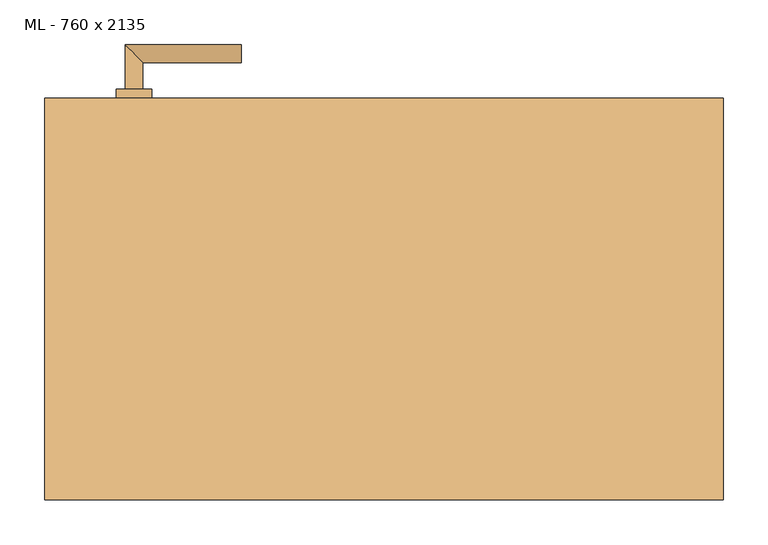
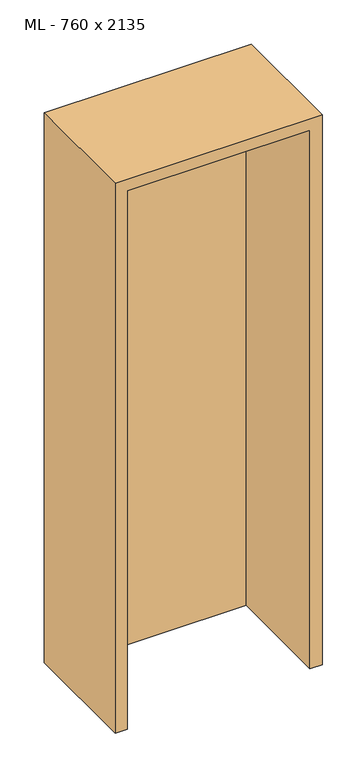
"""IFC4 building model written with IfcOpenShell, lengths in millimetres: door geometry, ML - 760 x 2135."""

from ifc_helpers import new_model, si_unit, point, frame, frame_2d, origin, origin_with_axes, place, context, project, spatial, polyline, circle_curve, ellipse_curve, trimmed, segment, composite_curve, outline, extrude, faceted_brep, source, transform, mapped, element, save
from ifc_brep_helpers import plane_surface, cylinder_surface, advanced_brep


def ml_760_x_2135_b0a2f868(model_context):
    return source(origin(), model_context, "Body", "SolidModel", [
        extrude(outline(polyline([(346.0, 225.0), (346.0, 180.0), (-346.0, 180.0), (-346.0, 225.0), (346.0, 225.0)])), origin_with_axes(), (0.0, 0.0, 1.0), 2101.0),
        advanced_brep(
        [(-270.0, 235.0, 1050.0), (-290.0, 235.0, 1050.0), (-270.0, 265.0, 1050.0), (-290.0, 285.0, 1050.0), (-160.0, 265.0, 1050.0), (-160.0, 285.0, 1050.0)],
        [
            (0, 1, circle_curve(frame((-280.0, 235.0, 1050.0), z_axis=(0.0, -1.0, 0.0), x_axis=(-1.0, 0.0, 0.0)), 10.0)),
            (1, 0, circle_curve(frame((-280.0, 235.0, 1050.0), z_axis=(0.0, -1.0, 0.0), x_axis=(-1.0, 0.0, 0.0)), 10.0)),
            (0, 2),
            (2, 3, ellipse_curve(frame((-280.0, 275.0, 1050.0), z_axis=(-0.7071067811865531, -0.7071067811865419, 0.0), x_axis=(0.707106781186542, -0.707106781186553, 0.0)), 14.1421356, 10.0)),
            (3, 1),
            (3, 2, ellipse_curve(frame((-280.0, 275.0, 1050.0), z_axis=(-0.7071067811865531, -0.7071067811865419, 0.0), x_axis=(0.707106781186542, -0.707106781186553, 0.0)), 14.1421356, 10.0)),
            (4, 5, circle_curve(frame((-160.0, 275.0, 1050.0), z_axis=(1.0, 0.0, 0.0), x_axis=(0.0, 1.0, 0.0)), 10.0)),
            (5, 4, circle_curve(frame((-160.0, 275.0, 1050.0), z_axis=(1.0, 0.0, 0.0), x_axis=(0.0, 1.0, 0.0)), 10.0)),
            (2, 4),
            (5, 3),
        ],
        [
            plane_surface(frame((-280.0, 235.0, 1050.0), z_axis=(0.0, -1.0, 0.0), x_axis=(0.0, 0.0, 1.0))),
            cylinder_surface(frame((-280.0, 235.0, 1050.0), z_axis=(0.0, -1.0, 0.0), x_axis=(-1.0, 0.0, 0.0)), 10.0),
            plane_surface(frame((-160.0, 275.0, 1050.0), z_axis=(1.0, 0.0, 0.0), x_axis=(0.0, 0.0, 1.0))),
            cylinder_surface(frame((-280.0, 275.0, 1050.0), z_axis=(-1.0, 0.0, 0.0), x_axis=(0.0, 1.0, 0.0)), 10.0),
        ],
        [
            (0, [[1, 2]]),
            (1, [[-1, 3, 4, 5]]),
            (1, [[-2, -5, 6, -3]]),
            (2, [[7, 8]]),
            (3, [[-4, 9, -8, 10]]),
            (3, [[-6, -10, -7, -9]]),
        ],
    ),
        extrude(outline(composite_curve([segment(trimmed(circle_curve(frame_2d((990.0, -280.0)), 20.0), [point((990.0, -300.0))], [point((990.0, -260.0))], False, "CARTESIAN"), True, "CONTINUOUS"), segment(trimmed(circle_curve(frame_2d((990.0, -280.0)), 20.0), [point((990.0, -260.0))], [point((990.0, -300.0))], False, "CARTESIAN"), True, "CONTINUOUS")], self_intersect=False), holes=[composite_curve([segment(polyline([(976.4601385, -282.397268), (988.4749012, -282.397268)]), True, "CONTINUOUS"), segment(trimmed(circle_curve(frame_2d((995.0361633, -280.0)), 6.9854888), [point((988.4749012, -282.397268))], [point((988.4749012, -277.602732))], True, "CARTESIAN"), True, "CONTINUOUS"), segment(polyline([(988.4749012, -277.602732), (976.4601385, -277.602732)]), True, "CONTINUOUS"), segment(trimmed(circle_curve(frame_2d((976.4601385, -280.0)), 2.397268), [point((976.4601385, -277.602732))], [point((976.4601385, -282.397268))], True, "CARTESIAN"), True, "CONTINUOUS")], self_intersect=False)]), frame((0.0, 225.0, 0.0), z_axis=(0.0, 1.0, 0.0), x_axis=(0.0, 0.0, 1.0)), (0.0, 0.0, 1.0), 10.0),
        advanced_brep(
        [(-270.0, 235.0, 1050.0), (-290.0, 235.0, 1050.0), (-270.0, 265.0, 1050.0), (-290.0, 285.0, 1050.0), (-160.0, 265.0, 1050.0), (-160.0, 285.0, 1050.0)],
        [
            (0, 1, circle_curve(frame((-280.0, 235.0, 1050.0), z_axis=(0.0, -1.0, 0.0), x_axis=(-1.0, 0.0, 0.0)), 10.0)),
            (1, 0, circle_curve(frame((-280.0, 235.0, 1050.0), z_axis=(0.0, -1.0, 0.0), x_axis=(-1.0, 0.0, 0.0)), 10.0)),
            (0, 2),
            (2, 3, ellipse_curve(frame((-280.0, 275.0, 1050.0), z_axis=(-0.7071067811865537, -0.7071067811865414, 0.0), x_axis=(0.7071067811865414, -0.7071067811865536, 0.0)), 14.1421356, 10.0)),
            (3, 1),
            (3, 2, ellipse_curve(frame((-280.0, 275.0, 1050.0), z_axis=(-0.7071067811865537, -0.7071067811865414, 0.0), x_axis=(0.7071067811865414, -0.7071067811865536, 0.0)), 14.1421356, 10.0)),
            (4, 5, circle_curve(frame((-160.0, 275.0, 1050.0), z_axis=(1.0, 0.0, 0.0), x_axis=(0.0, 1.0, 0.0)), 10.0)),
            (5, 4, circle_curve(frame((-160.0, 275.0, 1050.0), z_axis=(1.0, 0.0, 0.0), x_axis=(0.0, 1.0, 0.0)), 10.0)),
            (2, 4),
            (5, 3),
        ],
        [
            plane_surface(frame((-280.0, 235.0, 1050.0), z_axis=(0.0, -1.0, 0.0), x_axis=(0.0, 0.0, 1.0))),
            cylinder_surface(frame((-280.0, 235.0, 1050.0), z_axis=(0.0, -1.0, 0.0), x_axis=(-1.0, 0.0, 0.0)), 10.0),
            plane_surface(frame((-160.0, 275.0, 1050.0), z_axis=(1.0, 0.0, 0.0), x_axis=(0.0, 0.0, 1.0))),
            cylinder_surface(frame((-280.0, 275.0, 1050.0), z_axis=(-1.0, 0.0, 0.0), x_axis=(0.0, 1.0, 0.0)), 10.0),
        ],
        [
            (0, [[1, 2]]),
            (1, [[-1, 3, 4, 5]]),
            (1, [[-2, -5, 6, -3]]),
            (2, [[7, 8]]),
            (3, [[-4, 9, -8, 10]]),
            (3, [[-6, -10, -7, -9]]),
        ],
    ),
        extrude(outline(composite_curve([segment(trimmed(circle_curve(frame_2d((1050.0, -280.0)), 20.0), [point((1050.0, -300.0))], [point((1050.0, -260.0))], False, "CARTESIAN"), True, "CONTINUOUS"), segment(trimmed(circle_curve(frame_2d((1050.0, -280.0)), 20.0), [point((1050.0, -260.0))], [point((1050.0, -300.0))], False, "CARTESIAN"), True, "CONTINUOUS")], self_intersect=False)), frame((0.0, 225.0, 0.0), z_axis=(0.0, 1.0, 0.0), x_axis=(0.0, 0.0, 1.0)), (0.0, 0.0, 1.0), 10.0),
        advanced_brep(
        [(-270.0, 170.0, 1050.0), (-290.0, 170.0, 1050.0), (-290.0, 120.0, 1050.0), (-270.0, 140.0, 1050.0), (-160.0, 140.0, 1050.0), (-160.0, 120.0, 1050.0)],
        [
            (0, 1, circle_curve(frame((-280.0, 170.0, 1050.0), z_axis=(0.0, 1.0, 0.0), x_axis=(-1.0, 0.0, 0.0)), 10.0)),
            (1, 0, circle_curve(frame((-280.0, 170.0, 1050.0), z_axis=(0.0, 1.0, 0.0), x_axis=(-1.0, 0.0, 0.0)), 10.0)),
            (1, 2),
            (2, 3, ellipse_curve(frame((-280.0, 130.0, 1050.0), z_axis=(-0.7071067811865486, 0.7071067811865464, 0.0), x_axis=(0.7071067811865464, 0.7071067811865488, 0.0)), 14.1421356, 10.0)),
            (3, 0),
            (3, 2, ellipse_curve(frame((-280.0, 130.0, 1050.0), z_axis=(-0.7071067811865486, 0.7071067811865464, 0.0), x_axis=(0.7071067811865464, 0.7071067811865488, 0.0)), 14.1421356, 10.0)),
            (4, 5, circle_curve(frame((-160.0, 130.0, 1050.0), z_axis=(1.0, 0.0, 0.0), x_axis=(0.0, -1.0, 0.0)), 10.0)),
            (5, 4, circle_curve(frame((-160.0, 130.0, 1050.0), z_axis=(1.0, 0.0, 0.0), x_axis=(0.0, -1.0, 0.0)), 10.0)),
            (2, 5),
            (4, 3),
        ],
        [
            plane_surface(frame((-280.0, 170.0, 1050.0), z_axis=(0.0, 1.0, 0.0), x_axis=(0.0, 0.0, 1.0))),
            cylinder_surface(frame((-280.0, 170.0, 1050.0), z_axis=(0.0, 1.0, 0.0), x_axis=(-1.0, 0.0, 0.0)), 10.0),
            plane_surface(frame((-160.0, 130.0, 1050.0), z_axis=(1.0, 0.0, 0.0), x_axis=(0.0, 0.0, 1.0))),
            cylinder_surface(frame((-280.0, 130.0, 1050.0), z_axis=(-1.0, 0.0, 0.0), x_axis=(0.0, -1.0, 0.0)), 10.0),
        ],
        [
            (0, [[1, 2]]),
            (1, [[3, 4, 5, -2]]),
            (1, [[-5, 6, -3, -1]]),
            (2, [[7, 8]]),
            (3, [[9, -7, 10, -4]]),
            (3, [[-10, -8, -9, -6]]),
        ],
    ),
        extrude(outline(composite_curve([segment(trimmed(circle_curve(frame_2d((990.0, -280.0)), 20.0), [point((990.0, -300.0))], [point((990.0, -260.0))], False, "CARTESIAN"), True, "CONTINUOUS"), segment(trimmed(circle_curve(frame_2d((990.0, -280.0)), 20.0), [point((990.0, -260.0))], [point((990.0, -300.0))], False, "CARTESIAN"), True, "CONTINUOUS")], self_intersect=False), holes=[composite_curve([segment(polyline([(976.4601385, -282.397268), (988.4749012, -282.397268)]), True, "CONTINUOUS"), segment(trimmed(circle_curve(frame_2d((995.0361633, -280.0)), 6.9854888), [point((988.4749012, -282.397268))], [point((988.4749012, -277.602732))], True, "CARTESIAN"), True, "CONTINUOUS"), segment(polyline([(988.4749012, -277.602732), (976.4601385, -277.602732)]), True, "CONTINUOUS"), segment(trimmed(circle_curve(frame_2d((976.4601385, -280.0)), 2.397268), [point((976.4601385, -277.602732))], [point((976.4601385, -282.397268))], True, "CARTESIAN"), True, "CONTINUOUS")], self_intersect=False)]), frame((0.0, 170.0, 0.0), z_axis=(0.0, 1.0, 0.0), x_axis=(0.0, 0.0, 1.0)), (0.0, 0.0, 1.0), 10.0),
        advanced_brep(
        [(-270.0, 170.0, 1050.0), (-290.0, 170.0, 1050.0), (-290.0, 120.0, 1050.0), (-270.0, 140.0, 1050.0), (-160.0, 140.0, 1050.0), (-160.0, 120.0, 1050.0)],
        [
            (0, 1, circle_curve(frame((-280.0, 170.0, 1050.0), z_axis=(0.0, 1.0, 0.0), x_axis=(-1.0, 0.0, 0.0)), 10.0)),
            (1, 0, circle_curve(frame((-280.0, 170.0, 1050.0), z_axis=(0.0, 1.0, 0.0), x_axis=(-1.0, 0.0, 0.0)), 10.0)),
            (1, 2),
            (2, 3, ellipse_curve(frame((-280.0, 130.0, 1050.0), z_axis=(-0.7071067811865491, 0.7071067811865459, 0.0), x_axis=(0.7071067811865458, 0.7071067811865492, 0.0)), 14.1421356, 10.0)),
            (3, 0),
            (3, 2, ellipse_curve(frame((-280.0, 130.0, 1050.0), z_axis=(-0.7071067811865491, 0.7071067811865459, 0.0), x_axis=(0.7071067811865458, 0.7071067811865492, 0.0)), 14.1421356, 10.0)),
            (4, 5, circle_curve(frame((-160.0, 130.0, 1050.0), z_axis=(1.0, 0.0, 0.0), x_axis=(0.0, -1.0, 0.0)), 10.0)),
            (5, 4, circle_curve(frame((-160.0, 130.0, 1050.0), z_axis=(1.0, 0.0, 0.0), x_axis=(0.0, -1.0, 0.0)), 10.0)),
            (2, 5),
            (4, 3),
        ],
        [
            plane_surface(frame((-280.0, 170.0, 1050.0), z_axis=(0.0, 1.0, 0.0), x_axis=(0.0, 0.0, 1.0))),
            cylinder_surface(frame((-280.0, 170.0, 1050.0), z_axis=(0.0, 1.0, 0.0), x_axis=(-1.0, 0.0, 0.0)), 10.0),
            plane_surface(frame((-160.0, 130.0, 1050.0), z_axis=(1.0, 0.0, 0.0), x_axis=(0.0, 0.0, 1.0))),
            cylinder_surface(frame((-280.0, 130.0, 1050.0), z_axis=(-1.0, 0.0, 0.0), x_axis=(0.0, -1.0, 0.0)), 10.0),
        ],
        [
            (0, [[1, 2]]),
            (1, [[3, 4, 5, -2]]),
            (1, [[-5, 6, -3, -1]]),
            (2, [[7, 8]]),
            (3, [[9, -7, 10, -4]]),
            (3, [[-10, -8, -9, -6]]),
        ],
    ),
        extrude(outline(composite_curve([segment(trimmed(circle_curve(frame_2d((1050.0, -280.0)), 20.0), [point((1050.0, -300.0))], [point((1050.0, -260.0))], False, "CARTESIAN"), True, "CONTINUOUS"), segment(trimmed(circle_curve(frame_2d((1050.0, -280.0)), 20.0), [point((1050.0, -260.0))], [point((1050.0, -300.0))], False, "CARTESIAN"), True, "CONTINUOUS")], self_intersect=False)), frame((0.0, 170.0, 0.0), z_axis=(0.0, 1.0, 0.0), x_axis=(0.0, 0.0, 1.0)), (0.0, 0.0, 1.0), 10.0),
        faceted_brep([(-350.0, 225.0, 0.0), (-350.0, 180.0, 0.0), (-335.0, 180.0, 0.0), (-335.0, -225.0, 0.0), (-380.0, -225.0, 0.0), (-380.0, 225.0, 0.0), (-350.0, 225.0, 2105.0), (-350.0, 180.0, 2105.0), (350.0, 180.0, 2105.0), (350.0, 180.0, 0.0), (335.0, 180.0, 0.0), (335.0, 180.0, 2090.0), (-335.0, 180.0, 2090.0), (-335.0, -225.0, 2090.0), (335.0, -225.0, 2090.0), (335.0, -225.0, 0.0), (380.0, -225.0, 0.0), (380.0, -225.0, 2135.0), (-380.0, -225.0, 2135.0), (-380.0, 225.0, 2135.0), (380.0, 225.0, 2135.0), (380.0, 225.0, 0.0), (350.0, 225.0, 0.0), (350.0, 225.0, 2105.0)], [[[0, 1, 2, 3, 4, 5]], [[1, 0, 6, 7]], [[2, 1, 7, 8, 9, 10, 11, 12]], [[3, 2, 12, 13]], [[4, 3, 13, 14, 15, 16, 17, 18]], [[5, 4, 18, 19]], [[0, 5, 19, 20, 21, 22, 23, 6]], [[20, 17, 16, 21]], [[22, 21, 16, 15, 10, 9]], [[8, 23, 22, 9]], [[14, 11, 10, 15]], [[19, 18, 17, 20]], [[13, 12, 11, 14]], [[7, 6, 23, 8]]]),
    ])


if __name__ == "__main__":
    model = new_model("IFC4")
    model_context = context("Model", 3, world=origin())
    ifc_project = project(units=[si_unit("LENGTHUNIT", "METRE", prefix="MILLI")], contexts=[model_context])
    site = spatial("IfcSite", under=ifc_project)
    building = spatial("IfcBuilding", under=site)
    placement = place(None, origin())
    ml_760_x_2135_shape = ml_760_x_2135_b0a2f868(model_context)
    element("IfcDoor", 1, ObjectType="ML - 760 x 2135", at=placement, inside=building, context=model_context, shape_type="MappedRepresentation", body=[
        mapped(ml_760_x_2135_shape, transform((0.0, 0.0, 0.0), x_axis=(1.0, 0.0, 0.0), y_axis=(0.0, 1.0, 0.0), z_axis=(0.0, 0.0, 1.0))),
    ])
    save(model, "model.ifc")
